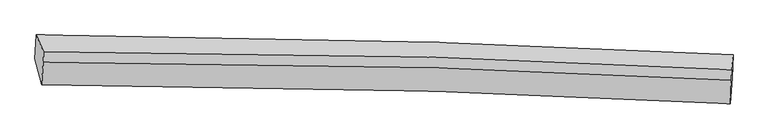
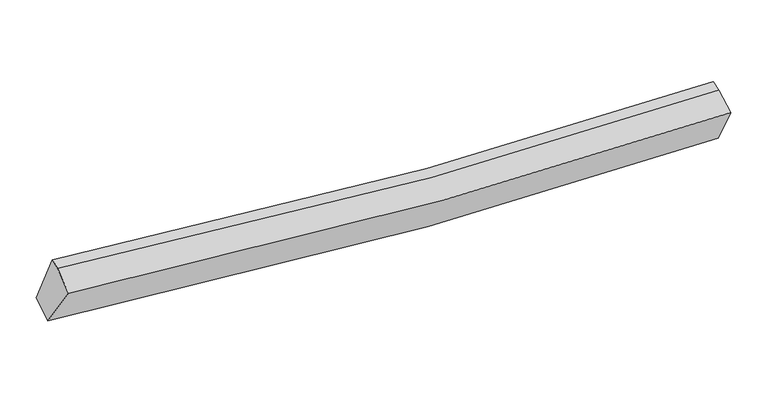
"""IFC4 building model written with IfcOpenShell, lengths in millimetres: proxy geometry."""

from ifc_helpers import new_model, si_unit, frame, origin, place, context, project, spatial, source, transform, mapped, element, save
from ifc_brep_helpers import plane_surface, spline_curve, spline_surface, advanced_brep


def generic_models_c2b8c5fe(model_context):
    return source(origin(), model_context, "Body", "AdvancedBrep", [
        advanced_brep(
        [(-4930.3842257, -1931.0333691, 2885.8594403), (-4910.7048327, -1585.3559371, 3045.7702557), (5265.2343185, -1876.1425662, 2676.416518), (5253.9654375, -2207.7875547, 2473.3546385), (-4833.7668851, -2315.5551582, 3534.2482767), (5227.2356962, -2590.1971671, 3129.5927122), (-4809.217221, -1984.6386362, 3727.1465034), (5239.8999499, -2244.9006575, 3280.6314134), (-4803.4074683, -1832.918652, 3777.6172191), (5245.7097027, -2093.1806732, 3331.1021291)],
        [
            (0, 1),
            (1, 2, spline_curve(3, [(-4910.7048327, -1585.3559371, 3045.7702557), (-2973.687480247, -1593.863843259, 2827.931176856), (-1036.854549596, -1629.112725468, 2694.333853539), (2355.04487878, -1737.683465189, 2607.891157085), (3810.191664513, -1799.363459737, 2618.370567415), (5265.2343185, -1876.1425662, 2676.416518)], [4, 2, 4], [0.0, 19.110546023048027, 33.470735550073655])),
            (2, 3),
            (3, 0, spline_curve(3, [(5253.9654375, -2207.7875547, 2473.3546385), (3796.752197307, -2131.239874658, 2416.254237945), (2339.850037881, -2070.553013738, 2408.962348259), (-1055.173035734, -1966.072455917, 2508.060106687), (-2993.054097311, -1934.507921811, 2652.853597025), (-4930.3842257, -1931.0333691, 2885.8594403)], [4, 2, 4], [0.0, 14.360189527025629, 33.470735550073655])),
            (4, 0),
            (3, 5),
            (5, 4, spline_curve(3, [(5227.2356962, -2590.1971671, 3129.5927122), (3784.493776343, -2514.346584981, 3072.922043502), (2343.422487834, -2454.187338996, 3065.393904371), (-1011.533145928, -2350.541516415, 3162.388741693), (-2924.129384237, -2319.153426157, 3304.802069401), (-4833.7668851, -2315.5551582, 3534.2482767)], [4, 2, 4], [0.0, 14.280630412200527, 33.28529913310316])),
            (6, 4),
            (5, 7),
            (7, 6, spline_curve(3, [(5239.8999499, -2244.9006575, 3280.6314134), (3797.16097564, -2167.547419119, 3219.443271373), (2356.820629669, -2107.412533891, 3211.904224151), (-994.734507631, -2007.382664956, 3319.377540904), (-2904.099884868, -1980.763542497, 3475.754951668), (-4809.217221, -1984.6386362, 3727.1465034)], [4, 2, 4], [0.0, 14.186898410884321, 33.066828546574364])),
            (8, 6),
            (7, 9),
            (9, 8, spline_curve(3, [(5245.7097027, -2093.1806732, 3331.1021291), (3802.970728498, -2015.827434992, 3269.913986853), (2362.630382194, -1955.692549779, 3262.374939626), (-988.924754465, -1855.662680407, 3369.848256903), (-2898.290132324, -1829.043558594, 3526.2256675), (-4803.4074683, -1832.918652, 3777.6172191)], [4, 2, 4], [0.0, 14.180983092767875, 33.053041120719186])),
            (1, 8),
            (9, 2),
        ],
        [
            spline_surface(3, 3, [[(-4930.3842257, -1931.0333691, 2885.8594403), (-2993.054097598, -1934.507921882, 2652.853596971), (-1055.173035807, -1966.072455941, 2508.060106723), (2339.850037935, -2070.55301372, 2408.962348232), (3796.752197213, -2131.239874807, 2416.254237846), (5253.9654375, -2207.7875547, 2473.3546385)], [(-4923.82442805, -1815.807558457, 2939.163045453), (-2986.598558566, -1820.959895708, 2711.212790227), (-1049.066873683, -1853.752545694, 2570.151355686), (2344.914984831, -1959.59649762, 2475.271951116), (3801.232019686, -2020.614403155, 2483.626347688), (5257.72173116, -2097.239225182, 2541.041931646)], [(-4917.26463035, -1700.581747743, 2992.466650547), (-2980.143019485, -1707.411869463, 2769.571983426), (-1042.960711538, -1741.432635431, 2632.242604733), (2349.979931747, -1848.639981503, 2541.581554083), (3805.711842179, -1909.988931555, 2550.998457593), (5261.47802484, -1986.690895718, 2608.729224854)], [(-4910.7048327, -1585.3559371, 3045.7702557), (-2973.687480453, -1593.863843289, 2827.931176683), (-1036.854549414, -1629.112725184, 2694.333853696), (2355.044878643, -1737.683465403, 2607.891156967), (3810.191664653, -1799.363459903, 2618.370567434), (5265.2343185, -1876.1425662, 2676.416518)]], [4, 4], [4, 2, 4], [0.0, 1.267398472632193], [0.0, 19.110546023048027, 33.470735550073655]),
            spline_surface(3, 3, [[(-4833.7668851, -2315.5551582, 3534.2482767), (-2924.129384254, -2319.153426102, 3304.802069297), (-1011.533145761, -2350.541516378, 3162.388741886), (2343.422487709, -2454.187339024, 3065.393904226), (3784.493776311, -2514.346585037, 3072.922043487), (5227.2356962, -2590.1971671, 3129.5927122)], [(-4865.97266528, -2187.381228495, 3318.118664558), (-2947.104288682, -2190.938258024, 3087.485911846), (-1026.079775772, -2222.385162903, 2944.279196841), (2342.231671122, -2326.309230593, 2846.583385571), (3788.579916629, -2386.644348311, 2854.032774956), (5236.145609984, -2462.727296317, 2910.846687649)], [(-4898.17844552, -2059.207298805, 3101.989052442), (-2970.07919317, -2062.72308996, 2870.169754422), (-1040.626405796, -2094.228809416, 2726.169651768), (2341.040854522, -2198.431122151, 2627.772866887), (3792.666056895, -2258.942111534, 2635.143506377), (5245.055523716, -2335.257425483, 2692.100663051)], [(-4930.3842257, -1931.0333691, 2885.8594403), (-2993.054097598, -1934.507921882, 2652.853596971), (-1055.173035807, -1966.072455941, 2508.060106723), (2339.850037935, -2070.55301372, 2408.962348232), (3796.752197213, -2131.239874807, 2416.254237846), (5253.9654375, -2207.7875547, 2473.3546385)]], [4, 4], [4, 2, 4], [0.0, 2.493224594251598], [0.0, 19.004668720902632, 33.28529913310316]),
            spline_surface(3, 3, [[(-4809.217221, -1984.6386362, 3727.1465034), (-2904.099885076, -1980.763542733, 3475.754951793), (-994.734507566, -2007.382664804, 3319.377541103), (2356.82062962, -2107.412534006, 3211.904224002), (3797.160975702, -2167.547419077, 3219.443271341), (5239.8999499, -2244.9006575, 3280.6314134)], [(-4817.400442373, -2094.944143514, 3662.847094505), (-2910.776384808, -2093.560170504, 3418.770657632), (-1000.334053646, -2121.76894864, 3267.047941362), (2352.354582302, -2223.004135657, 3163.067450741), (3792.93857588, -2283.147141071, 3170.602862044), (5235.678531975, -2359.999494041, 3230.285179654)], [(-4825.583663727, -2205.249650886, 3598.547685595), (-2917.452884522, -2206.356798331, 3361.786363457), (-1005.933599681, -2236.155232542, 3214.718341627), (2347.888535027, -2338.595737373, 3114.230677486), (3788.716176133, -2398.746863043, 3121.762452784), (5231.457114125, -2475.098330559, 3179.938945946)], [(-4833.7668851, -2315.5551582, 3534.2482767), (-2924.129384254, -2319.153426102, 3304.802069297), (-1011.533145761, -2350.541516378, 3162.388741886), (2343.422487709, -2454.187339024, 3065.393904226), (3784.493776311, -2514.346585037, 3072.922043487), (5227.2356962, -2590.1971671, 3129.5927122)]], [4, 4], [4, 2, 4], [0.0, 1.2380622191865216], [0.0, 18.879930135690042, 33.066828546574364]),
            spline_surface(3, 3, [[(-4803.4074683, -1832.918652, 3777.6172191), (-2898.290132376, -1829.043558533, 3526.225667493), (-988.924754766, -1855.662680504, 3369.848256803), (2362.63038242, -1955.692549706, 3262.374939702), (3802.970728502, -2015.827434777, 3269.913987041), (5245.7097027, -2093.1806732, 3331.1021291)], [(-4805.344052544, -1883.49198009, 3760.793647191), (-2900.22671662, -1879.616886623, 3509.402095584), (-990.86133901, -1906.236008594, 3353.024684894), (2360.693798176, -2006.265877796, 3245.551367793), (3801.034144257, -2066.400762868, 3253.090415132), (5243.773118456, -2143.75400129, 3314.278557191)], [(-4807.280636756, -1934.06530811, 3743.970075309), (-2902.163300832, -1930.190214643, 3492.578523701), (-992.797923322, -1956.809336714, 3336.201113011), (2358.757213864, -2056.839205915, 3228.72779591), (3799.097559946, -2116.974090987, 3236.26684325), (5241.836534144, -2194.32732941, 3297.454985309)], [(-4809.217221, -1984.6386362, 3727.1465034), (-2904.099885076, -1980.763542733, 3475.754951793), (-994.734507566, -2007.382664804, 3319.377541103), (2356.82062962, -2107.412534006, 3211.904224002), (3797.160975702, -2167.547419077, 3219.443271341), (5239.8999499, -2244.9006575, 3280.6314134)]], [4, 4], [4, 2, 4], [0.0, 0.5249343832020994], [0.0, 18.87205802795131, 33.053041120719186]),
            spline_surface(3, 3, [[(-4910.7048327, -1585.3559371, 3045.7702557), (-2973.687480453, -1593.863843289, 2827.931176683), (-1036.854549414, -1629.112725184, 2694.333853696), (2355.044878643, -1737.683465403, 2607.891156967), (3810.191664653, -1799.363459903, 2618.370567434), (5265.2343185, -1876.1425662, 2676.416518)], [(-4874.939044553, -1667.876842043, 3289.719243494), (-2948.555031081, -1672.25708168, 3060.696006947), (-1020.877951203, -1704.629376979, 2919.505321427), (2357.573379897, -1810.353160192, 2826.052417907), (3807.784685928, -1871.518118198, 2835.551707329), (5258.726113226, -1948.48860187, 2894.645055059)], [(-4839.173256447, -1750.397747057, 3533.668231306), (-2923.422581748, -1750.650320142, 3293.460837229), (-1004.901352977, -1780.146028709, 3144.676789072), (2360.101881166, -1883.022854916, 3044.213678762), (3805.377707226, -1943.672776483, 3052.732847146), (5252.217907974, -2020.83463753, 3112.873592041)], [(-4803.4074683, -1832.918652, 3777.6172191), (-2898.290132376, -1829.043558533, 3526.225667493), (-988.924754766, -1855.662680504, 3369.848256803), (2362.63038242, -1955.692549706, 3262.374939702), (3802.970728502, -2015.827434777, 3269.913987041), (5245.7097027, -2093.1806732, 3331.1021291)]], [4, 4], [4, 2, 4], [0.0, 2.315331476937932], [0.0, 18.985715333246887, 33.25210364903701]),
            plane_surface(frame((5246.409021, -2202.4417237, 2978.2194822), z_axis=(0.9989398481076673, -0.04337846787359492, 0.015410658245851201), x_axis=(-0.033583472811757366, -0.9156683171783868, -0.4005292539498249))),
            plane_surface(frame((-4857.4961266, -1929.9003505, 3394.128339), z_axis=(-0.9898275414884207, -0.009323116054840243, 0.14196660740475858), x_axis=(-0.051600319995920685, -0.9063829431915237, -0.4192938912836553))),
        ],
        [
            (0, [[1, 2, 3, 4]]),
            (1, [[5, -4, 6, 7]]),
            (2, [[8, -7, 9, 10]]),
            (3, [[11, -10, 12, 13]]),
            (4, [[14, -13, 15, -2]]),
            (5, [[-9, -6, -3, -15, -12]]),
            (6, [[-1, -5, -8, -11, -14]]),
        ],
    ),
    ])


if __name__ == "__main__":
    model = new_model("IFC4")
    model_context = context("Model", 3, world=origin())
    ifc_project = project(units=[si_unit("LENGTHUNIT", "METRE", prefix="MILLI")], contexts=[model_context])
    site = spatial("IfcSite", under=ifc_project)
    building = spatial("IfcBuilding", under=site)
    placement = place(None, origin())
    generic_models_shape = generic_models_c2b8c5fe(model_context)
    element("IfcBuildingElementProxy", 1, Name="Generic Models", at=placement, inside=building, context=model_context, shape_type="MappedRepresentation", body=[
        mapped(generic_models_shape, transform((0.0, 0.0, 0.0), x_axis=(1.0, 0.0, 0.0), y_axis=(0.0, 1.0, 0.0), z_axis=(0.0, 0.0, 1.0))),
    ])
    save(model, "model.ifc")
